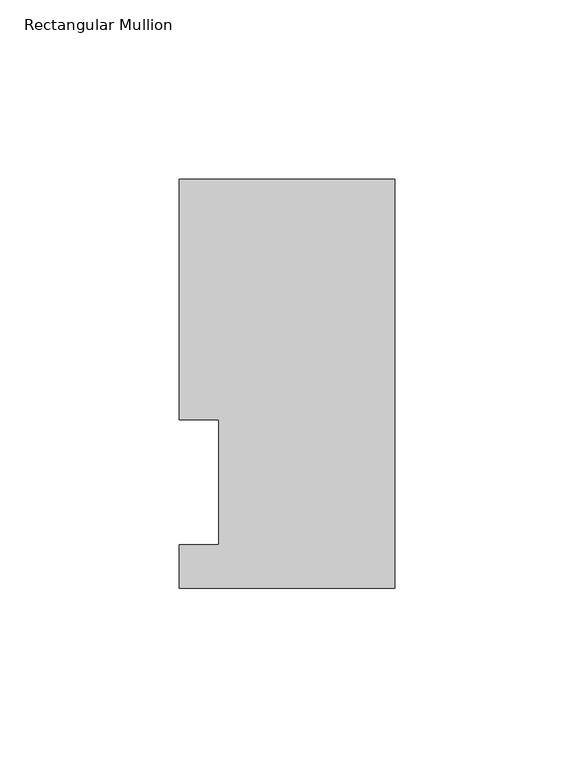
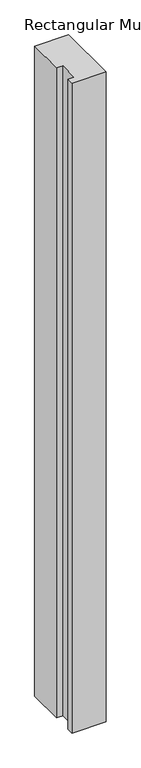
"""IFC4 building model written with IfcOpenShell, lengths in millimetres: member geometry, Rectangular Mullion."""

from ifc_helpers import new_model, si_unit, frame, origin, place, context, project, spatial, polyline, outline, extrude, source, transform, mapped, element, save


def rectangular_mullion_335d7638(model_context):
    return source(origin(), model_context, "Body", "SweptSolid", [
        extrude(outline(polyline([(0.0, 114.252375), (0.0, -0.047625), (-60.325, -0.047625), (-60.325, 12.144375), (-49.2125, 12.144375), (-49.2125, 47.069375), (-60.325, 47.069375), (-60.325, 114.252375), (0.0, 114.252375)])), frame((0.0, 0.0, -1219.2), z_axis=(0.0, 0.0, 1.0), x_axis=(1.0, 0.0, 0.0)), (0.0, 0.0, 1.0), 1219.2),
    ])


if __name__ == "__main__":
    model = new_model("IFC4")
    model_context = context("Model", 3, world=origin())
    ifc_project = project(units=[si_unit("LENGTHUNIT", "METRE", prefix="MILLI")], contexts=[model_context])
    site = spatial("IfcSite", under=ifc_project)
    building = spatial("IfcBuilding", under=site)
    placement = place(None, origin())
    rectangular_mullion_shape = rectangular_mullion_335d7638(model_context)
    element("IfcMember", 1, ObjectType="Rectangular Mullion", at=placement, inside=building, context=model_context, shape_type="MappedRepresentation", body=[
        mapped(rectangular_mullion_shape, transform((0.0, 0.0, 0.0), x_axis=(1.0, 0.0, 0.0), y_axis=(0.0, 1.0, 0.0), z_axis=(0.0, 0.0, 1.0))),
    ])
    save(model, "model.ifc")
